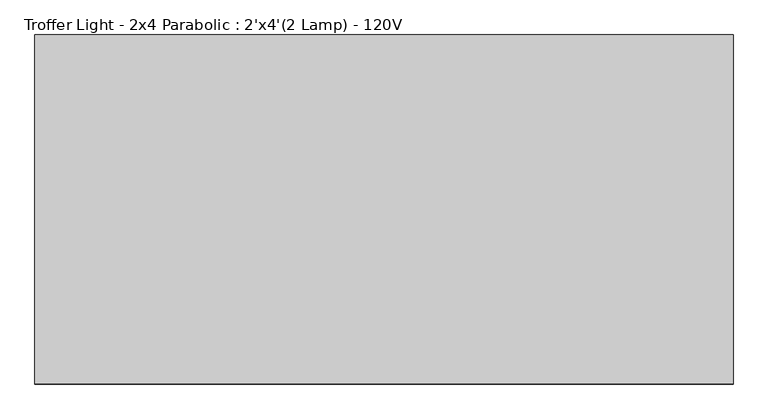
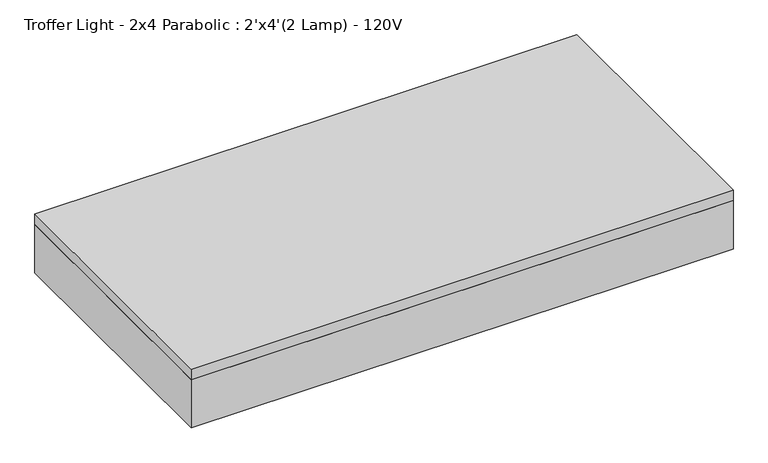
"""IFC4 building model written with IfcOpenShell, lengths in millimetres: light fixture geometry, Troffer Light - 2x4 Parabolic : 2'x4'(2 Lamp) - 120V."""

from ifc_helpers import new_model, si_unit, frame, origin, place, context, project, spatial, polyline, outline, extrude, source, transform, mapped, element, save


def troffer_light_2x4_parabolic_2_x4_2_lamp_120v_ca384779(model_context):
    return source(origin(), model_context, "Body", "SweptSolid", [
        extrude(outline(polyline([(565.4964984, 219.9340679), (565.4964984, -338.8659321), (-602.9035016, -338.8659321), (-602.9035016, 219.9340679), (565.4964984, 219.9340679)]), holes=[polyline([(-409.2285016, 35.7840679), (-409.2285016, 213.5840679), (-596.5535016, 213.5840679), (-596.5535016, 35.7840679), (-409.2285016, 35.7840679)]), polyline([(-409.2285016, -148.3659321), (-409.2285016, 29.4340679), (-596.5535016, 29.4340679), (-596.5535016, -148.3659321), (-409.2285016, -148.3659321)]), polyline([(-409.2285016, -154.7159321), (-596.5535016, -154.7159321), (-596.5535016, -332.5159321), (-409.2285016, -332.5159321), (-409.2285016, -154.7159321)]), polyline([(-215.5535016, 35.7840679), (-215.5535016, 213.5840679), (-402.8785016, 213.5840679), (-402.8785016, 35.7840679), (-215.5535016, 35.7840679)]), polyline([(-215.5535016, -148.3659321), (-215.5535016, 29.4340679), (-402.8785016, 29.4340679), (-402.8785016, -148.3659321), (-215.5535016, -148.3659321)]), polyline([(-215.5535016, -154.7159321), (-402.8785016, -154.7159321), (-402.8785016, -332.5159321), (-215.5535016, -332.5159321), (-215.5535016, -154.7159321)]), polyline([(-21.8785016, 35.7840679), (-21.8785016, 213.5840679), (-209.2035016, 213.5840679), (-209.2035016, 35.7840679), (-21.8785016, 35.7840679)]), polyline([(-21.8785016, -148.3659321), (-21.8785016, 29.4340679), (-209.2035016, 29.4340679), (-209.2035016, -148.3659321), (-21.8785016, -148.3659321)]), polyline([(-21.8785016, -154.7159321), (-209.2035016, -154.7159321), (-209.2035016, -332.5159321), (-21.8785016, -332.5159321), (-21.8785016, -154.7159321)]), polyline([(171.7964984, 35.7840679), (171.7964984, 213.5840679), (-15.5285016, 213.5840679), (-15.5285016, 35.7840679), (171.7964984, 35.7840679)]), polyline([(171.7964984, -148.3659321), (171.7964984, 29.4340679), (-15.5285016, 29.4340679), (-15.5285016, -148.3659321), (171.7964984, -148.3659321)]), polyline([(171.7964984, -154.7159321), (-15.5285016, -154.7159321), (-15.5285016, -332.5159321), (171.7964984, -332.5159321), (171.7964984, -154.7159321)]), polyline([(365.4714984, 35.7840679), (365.4714984, 213.5840679), (178.1464984, 213.5840679), (178.1464984, 35.7840679), (365.4714984, 35.7840679)]), polyline([(365.4714984, -148.3659321), (365.4714984, 29.4340679), (178.1464984, 29.4340679), (178.1464984, -148.3659321), (365.4714984, -148.3659321)]), polyline([(365.4714984, -154.7159321), (178.1464984, -154.7159321), (178.1464984, -332.5159321), (365.4714984, -332.5159321), (365.4714984, -154.7159321)]), polyline([(559.1464984, 35.7840679), (559.1464984, 213.5840679), (371.8214984, 213.5840679), (371.8214984, 35.7840679), (559.1464984, 35.7840679)]), polyline([(559.1464984, -148.3659321), (559.1464984, 29.4340679), (371.8214984, 29.4340679), (371.8214984, -148.3659321), (559.1464984, -148.3659321)]), polyline([(559.1464984, -154.7159321), (371.8214984, -154.7159321), (371.8214984, -332.5159321), (559.1464984, -332.5159321), (559.1464984, -154.7159321)])]), frame((0.0, 0.0, 2438.4), z_axis=(0.0, 0.0, 1.0), x_axis=(1.0, 0.0, 0.0)), (0.0, 0.0, 1.0), 3.175),
        extrude(outline(polyline([(565.4964984, 219.9340679), (565.4964984, -338.8659321), (-602.9035016, -338.8659321), (-602.9035016, 219.9340679), (565.4964984, 219.9340679)])), frame((0.0, 0.0, 2514.6), z_axis=(0.0, 0.0, 1.0), x_axis=(1.0, 0.0, 0.0)), (0.0, 0.0, 1.0), 6.35),
        extrude(outline(polyline([(565.4964984, 219.9340679), (565.4964984, -338.8659321), (-602.9035016, -338.8659321), (-602.9035016, 219.9340679), (565.4964984, 219.9340679)]), holes=[polyline([(-409.2285016, 35.7840679), (-409.2285016, 213.5840679), (-596.5535016, 213.5840679), (-596.5535016, 35.7840679), (-409.2285016, 35.7840679)]), polyline([(-409.2285016, -148.3659321), (-409.2285016, 29.4340679), (-596.5535016, 29.4340679), (-596.5535016, -148.3659321), (-409.2285016, -148.3659321)]), polyline([(-409.2285016, -154.7159321), (-596.5535016, -154.7159321), (-596.5535016, -332.5159321), (-409.2285016, -332.5159321), (-409.2285016, -154.7159321)]), polyline([(-215.5535016, 35.7840679), (-215.5535016, 213.5840679), (-402.8785016, 213.5840679), (-402.8785016, 35.7840679), (-215.5535016, 35.7840679)]), polyline([(-215.5535016, -148.3659321), (-215.5535016, 29.4340679), (-402.8785016, 29.4340679), (-402.8785016, -148.3659321), (-215.5535016, -148.3659321)]), polyline([(-215.5535016, -154.7159321), (-402.8785016, -154.7159321), (-402.8785016, -332.5159321), (-215.5535016, -332.5159321), (-215.5535016, -154.7159321)]), polyline([(-21.8785016, 35.7840679), (-21.8785016, 213.5840679), (-209.2035016, 213.5840679), (-209.2035016, 35.7840679), (-21.8785016, 35.7840679)]), polyline([(-21.8785016, -148.3659321), (-21.8785016, 29.4340679), (-209.2035016, 29.4340679), (-209.2035016, -148.3659321), (-21.8785016, -148.3659321)]), polyline([(-21.8785016, -154.7159321), (-209.2035016, -154.7159321), (-209.2035016, -332.5159321), (-21.8785016, -332.5159321), (-21.8785016, -154.7159321)]), polyline([(171.7964984, 35.7840679), (171.7964984, 213.5840679), (-15.5285016, 213.5840679), (-15.5285016, 35.7840679), (171.7964984, 35.7840679)]), polyline([(171.7964984, -148.3659321), (171.7964984, 29.4340679), (-15.5285016, 29.4340679), (-15.5285016, -148.3659321), (171.7964984, -148.3659321)]), polyline([(171.7964984, -154.7159321), (-15.5285016, -154.7159321), (-15.5285016, -332.5159321), (171.7964984, -332.5159321), (171.7964984, -154.7159321)]), polyline([(365.4714984, 35.7840679), (365.4714984, 213.5840679), (178.1464984, 213.5840679), (178.1464984, 35.7840679), (365.4714984, 35.7840679)]), polyline([(365.4714984, -148.3659321), (365.4714984, 29.4340679), (178.1464984, 29.4340679), (178.1464984, -148.3659321), (365.4714984, -148.3659321)]), polyline([(365.4714984, -154.7159321), (178.1464984, -154.7159321), (178.1464984, -332.5159321), (365.4714984, -332.5159321), (365.4714984, -154.7159321)]), polyline([(559.1464984, 35.7840679), (559.1464984, 213.5840679), (371.8214984, 213.5840679), (371.8214984, 35.7840679), (559.1464984, 35.7840679)]), polyline([(559.1464984, -148.3659321), (559.1464984, 29.4340679), (371.8214984, 29.4340679), (371.8214984, -148.3659321), (559.1464984, -148.3659321)]), polyline([(559.1464984, -154.7159321), (371.8214984, -154.7159321), (371.8214984, -332.5159321), (559.1464984, -332.5159321), (559.1464984, -154.7159321)])]), frame((0.0, 0.0, 2441.575), z_axis=(0.0, 0.0, 1.0), x_axis=(1.0, 0.0, 0.0)), (0.0, 0.0, 1.0), 47.625),
        extrude(outline(polyline([(590.8964984, 245.3340679), (590.8964984, -364.2659321), (-628.3035016, -364.2659321), (-628.3035016, 245.3340679), (590.8964984, 245.3340679)]), holes=[polyline([(565.4964984, 219.9340679), (-602.9035016, 219.9340679), (-602.9035016, -338.8659321), (565.4964984, -338.8659321), (565.4964984, 219.9340679)])]), frame((0.0, 0.0, 2438.4), z_axis=(0.0, 0.0, 1.0), x_axis=(1.0, 0.0, 0.0)), (0.0, 0.0, 1.0), 114.3),
        extrude(outline(polyline([(590.8964984, 245.3340679), (590.8964984, -364.2659321), (-628.3035016, -364.2659321), (-628.3035016, 245.3340679), (590.8964984, 245.3340679)])), frame((0.0, 0.0, 2552.7), z_axis=(0.0, 0.0, 1.0), x_axis=(1.0, 0.0, 0.0)), (0.0, 0.0, 1.0), 25.4),
    ])


if __name__ == "__main__":
    model = new_model("IFC4")
    model_context = context("Model", 3, world=origin())
    ifc_project = project(units=[si_unit("LENGTHUNIT", "METRE", prefix="MILLI")], contexts=[model_context])
    site = spatial("IfcSite", under=ifc_project)
    building = spatial("IfcBuilding", under=site)
    placement = place(None, origin())
    troffer_light_2x4_parabolic_2_x4_2_lamp_120v_shape = troffer_light_2x4_parabolic_2_x4_2_lamp_120v_ca384779(model_context)
    element("IfcLightFixture", 1, ObjectType="Troffer Light - 2x4 Parabolic : 2'x4'(2 Lamp) - 120V", at=placement, inside=building, context=model_context, shape_type="MappedRepresentation", body=[
        mapped(troffer_light_2x4_parabolic_2_x4_2_lamp_120v_shape, transform((0.0, 0.0, 0.0), x_axis=(1.0, 0.0, 0.0), y_axis=(0.0, 1.0, 0.0), z_axis=(0.0, 0.0, 1.0))),
    ])
    save(model, "model.ifc")
